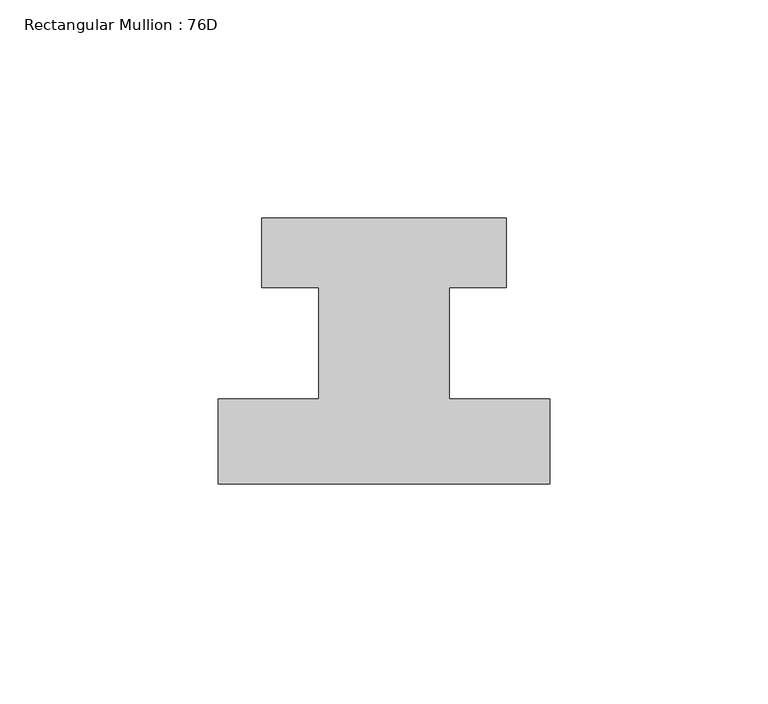
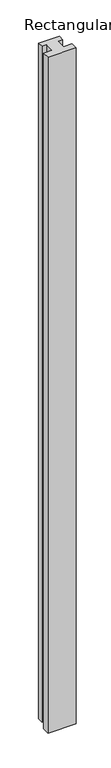
"""IFC4 building model written with IfcOpenShell, lengths in millimetres: member geometry, Rectangular Mullion : 76D."""

from ifc_helpers import new_model, si_unit, frame, origin, place, context, project, spatial, polyline, outline, extrude, source, transform, mapped, element, save


def rectangular_mullion_76d_084190cf(model_context):
    return source(origin(), model_context, "Body", "SweptSolid", [
        extrude(outline(polyline([(38.0, -20.0), (-38.0, -20.0), (-38.0, -0.5), (-15.0, -0.5), (-15.0, 25.0), (-28.0, 25.0), (-28.0, 41.0), (28.0, 41.0), (28.0, 25.0), (15.0, 25.0), (15.0, -0.5), (38.0, -0.5), (38.0, -20.0)])), frame((0.0, 0.0, -1917.0), z_axis=(0.0, 0.0, 1.0), x_axis=(1.0, 0.0, 0.0)), (0.0, 0.0, 1.0), 1917.0),
    ])


if __name__ == "__main__":
    model = new_model("IFC4")
    model_context = context("Model", 3, world=origin())
    ifc_project = project(units=[si_unit("LENGTHUNIT", "METRE", prefix="MILLI")], contexts=[model_context])
    site = spatial("IfcSite", under=ifc_project)
    building = spatial("IfcBuilding", under=site)
    placement = place(None, origin())
    rectangular_mullion_76d_shape = rectangular_mullion_76d_084190cf(model_context)
    element("IfcMember", 1, ObjectType="Rectangular Mullion : 76D", at=placement, inside=building, context=model_context, shape_type="MappedRepresentation", body=[
        mapped(rectangular_mullion_76d_shape, transform((0.0, 0.0, 0.0), x_axis=(1.0, 0.0, 0.0), y_axis=(0.0, 1.0, 0.0), z_axis=(0.0, 0.0, 1.0))),
    ])
    save(model, "model.ifc")
